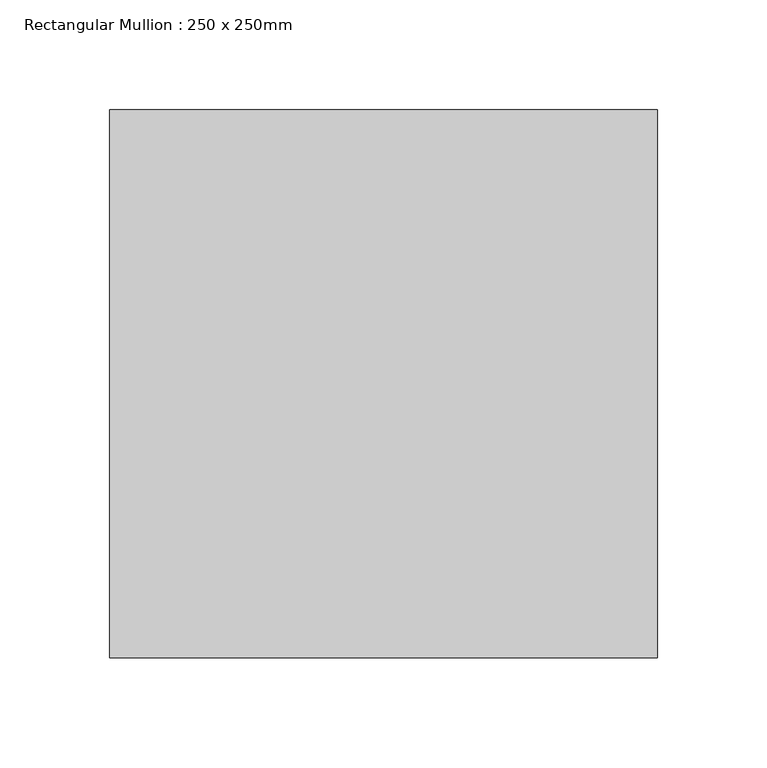
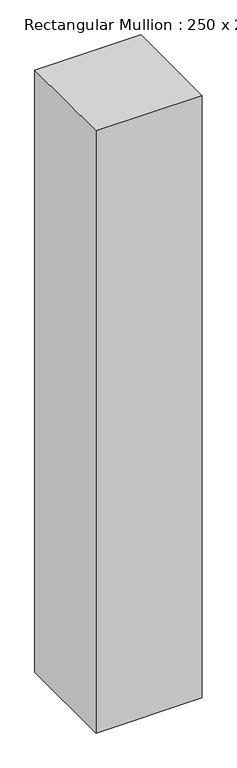
"""IFC4 building model written with IfcOpenShell, lengths in millimetres: member geometry, Rectangular Mullion : 250 x 250mm."""

from ifc_helpers import new_model, si_unit, frame, origin, place, context, project, spatial, polyline, outline, extrude, source, transform, mapped, element, save


def rectangular_mullion_250_x_250mm_913fe738(model_context):
    return source(origin(), model_context, "Body", "SweptSolid", [
        extrude(outline(polyline([(0.0, 125.0), (0.0, -125.0), (-250.0, -125.0), (-250.0, 125.0), (0.0, 125.0)])), frame((0.0, 0.0, -1500.0), z_axis=(0.0, 0.0, 1.0), x_axis=(1.0, 0.0, 0.0)), (0.0, 0.0, 1.0), 1500.0),
    ])


if __name__ == "__main__":
    model = new_model("IFC4")
    model_context = context("Model", 3, world=origin())
    ifc_project = project(units=[si_unit("LENGTHUNIT", "METRE", prefix="MILLI")], contexts=[model_context])
    site = spatial("IfcSite", under=ifc_project)
    building = spatial("IfcBuilding", under=site)
    placement = place(None, origin())
    rectangular_mullion_250_x_250mm_shape = rectangular_mullion_250_x_250mm_913fe738(model_context)
    element("IfcMember", 1, ObjectType="Rectangular Mullion : 250 x 250mm", at=placement, inside=building, context=model_context, shape_type="MappedRepresentation", body=[
        mapped(rectangular_mullion_250_x_250mm_shape, transform((0.0, 0.0, 0.0), x_axis=(1.0, 0.0, 0.0), y_axis=(0.0, 1.0, 0.0), z_axis=(0.0, 0.0, 1.0))),
    ])
    save(model, "model.ifc")
